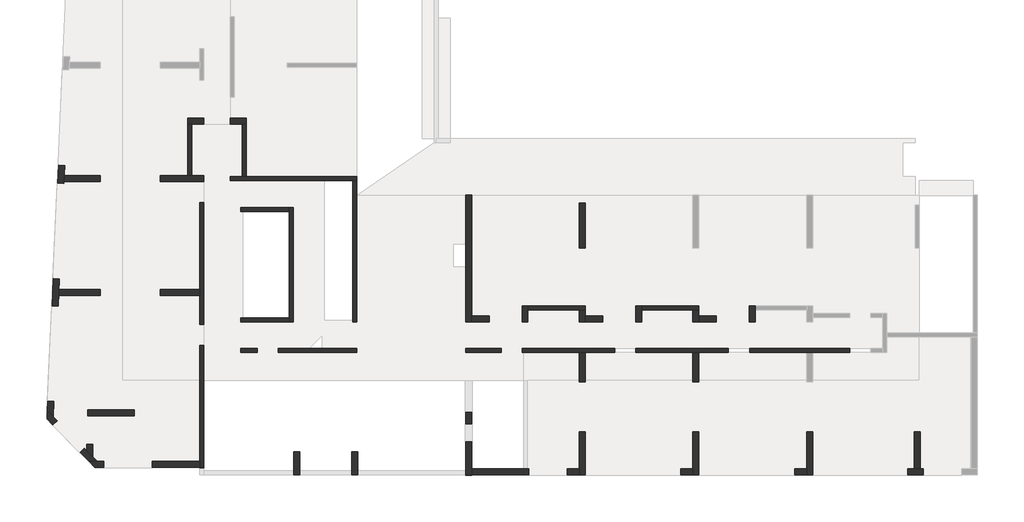
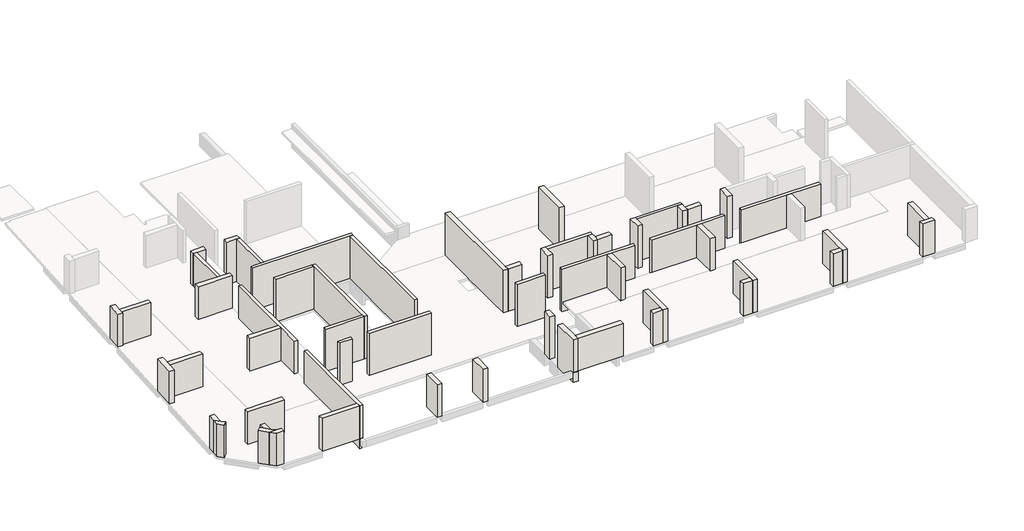
# One storey, part 1 of 4: 57 walls.
"""IFC4 building model written with IfcOpenShell, lengths in millimetres."""

from ifc_helpers import new_model, si_unit, frame, origin, place, context, project, spatial, polyline, outline, extrude, faceted_brep, element, save

model = new_model("IFC4")

# Units and contexts
model_context = context("Model", 3, world=origin())
ifc_project = project(units=[si_unit("LENGTHUNIT", "METRE", prefix="MILLI")], contexts=[model_context])

# Site, building, storey
site = spatial("IfcSite", under=ifc_project)
building = spatial("IfcBuilding", under=site)
storey = spatial("IfcBuildingStorey", under=building, Elevation=-20.0)

# Walls
placement = place(None, origin())
element("IfcWall", 1, ObjectType="MHA20", at=placement, inside=storey, context=model_context, shape_type="Brep", body=[
    faceted_brep([(-4395.6912908, -13079.0672499, -670.0), (-9410.6912908, -13079.0672499, -670.0), (-9410.6912908, -13079.0672499, 2170.0), (-4395.6912908, -13079.0672499, 2170.0), (-4395.6912908, -13279.0672499, -670.0), (-4395.6912908, -13279.0672499, 2170.0), (-6255.6912908, -13279.0672499, 2170.0), (-6555.6912908, -13279.0672499, 2170.0), (-9410.6912908, -13279.0672499, 2170.0), (-9410.6912908, -13279.0672499, -670.0)], [[[0, 1, 2, 3]], [[4, 5, 6, 7, 8, 9]], [[1, 0, 4, 9]], [[2, 1, 9, 8]], [[3, 2, 8, 7, 6, 5]], [[0, 3, 5, 4]]]),
])
element("IfcWall", 2, ObjectType="MHA20", at=placement, inside=storey, context=model_context, shape_type="Brep", body=[
    faceted_brep([(-36735.6912908, -19074.0672499, -670.0), (-36735.6912908, -18724.0672499, -670.0), (-36735.6912908, -12949.0672499, -670.0), (-36735.6912908, -12949.0672499, 2170.0), (-36735.6912908, -19049.0672499, 2170.0), (-36735.6912908, -19049.0672499, -20.0), (-36735.6912908, -19074.0672499, -20.0), (-36735.6912908, -19074.0672499, -420.0), (-36935.6912908, -19074.0672499, -670.0), (-36935.6912908, -19074.0672499, -420.0), (-36935.6912908, -19074.0672499, -20.0), (-36935.6912908, -19049.0672499, -20.0), (-36935.6912908, -19049.0672499, 2170.0), (-36935.6912908, -18749.0672499, 2170.0), (-36935.6912908, -12949.0672499, 2170.0), (-36935.6912908, -12949.0672499, -670.0), (-36935.6912908, -18724.0672499, -670.0)], [[[0, 1, 2, 3, 4, 5, 6, 7]], [[8, 9, 10, 11, 12, 13, 14, 15, 16]], [[2, 1, 0, 8, 16, 15]], [[3, 2, 15, 14]], [[4, 3, 14, 13, 12]], [[5, 11, 10, 6]], [[0, 7, 6, 10, 9, 8]], [[5, 4, 12, 11]]]),
])
element("IfcWall", 3, ObjectType="MHA20", at=placement, inside=storey, context=model_context, shape_type="Brep", body=[
    faceted_brep([(-10470.6912908, -13079.0672499, -670.0), (-15100.6912908, -13079.0672499, -670.0), (-15100.6912908, -13079.0672499, 2170.0), (-10470.6912908, -13079.0672499, 2170.0), (-10470.6912908, -13279.0672499, -670.0), (-10470.6912908, -13279.0672499, 2170.0), (-11945.6912908, -13279.0672499, 2170.0), (-12245.6912908, -13279.0672499, 2170.0), (-15100.6912908, -13279.0672499, 2170.0), (-15100.6912908, -13279.0672499, -670.0)], [[[0, 1, 2, 3]], [[4, 5, 6, 7, 8, 9]], [[1, 0, 4, 9]], [[2, 1, 9, 8]], [[3, 2, 8, 7, 6, 5]], [[0, 3, 5, 4]]]),
])
element("IfcWall", 4, ObjectType="MHA20", at=placement, inside=storey, context=model_context, shape_type="Brep", body=[
    faceted_brep([(-16160.6912908, -13079.0672499, -670.0), (-20790.6912908, -13079.0672499, -670.0), (-20790.6912908, -13079.0672499, 2170.0), (-16160.6912908, -13079.0672499, 2170.0), (-16160.6912908, -13279.0672499, -670.0), (-16160.6912908, -13279.0672499, 2170.0), (-17635.6912908, -13279.0672499, 2170.0), (-17935.6912908, -13279.0672499, 2170.0), (-20790.6912908, -13279.0672499, 2170.0), (-20790.6912908, -13279.0672499, -670.0)], [[[0, 1, 2, 3]], [[4, 5, 6, 7, 8, 9]], [[1, 0, 4, 9]], [[2, 1, 9, 8]], [[3, 2, 8, 7, 6, 5]], [[0, 3, 5, 4]]]),
])
element("IfcWall", 5, ObjectType="MHA20", at=placement, inside=storey, context=model_context, shape_type="SweptSolid", body=[
    extrude(outline(polyline([(-23625.6912908, -13079.0672499), (-21850.6912908, -13079.0672499), (-21850.6912908, -13279.0672499), (-23625.6912908, -13279.0672499), (-23625.6912908, -13079.0672499)])), frame((0.0, 0.0, -670.0), z_axis=(0.0, 0.0, 1.0), x_axis=(1.0, 0.0, 0.0)), (0.0, 0.0, 1.0), 2840.0),
])
element("IfcWall", 6, ObjectType="MHA20", at=placement, inside=storey, context=model_context, shape_type="SweptSolid", body=[
    extrude(outline(polyline([(-32995.6912908, -13079.0672499), (-29065.6912908, -13079.0672499), (-29065.6912908, -13279.0672499), (-32995.6912908, -13279.0672499), (-32995.6912908, -13079.0672499)])), frame((0.0, 0.0, -670.0), z_axis=(0.0, 0.0, 1.0), x_axis=(1.0, 0.0, 0.0)), (0.0, 0.0, 1.0), 2840.0),
])
element("IfcWall", 7, ObjectType="MHA20", at=placement, inside=storey, context=model_context, shape_type="SweptSolid", body=[
    extrude(outline(polyline([(-34055.6912908, -13279.0672499), (-34865.6912908, -13279.0672499), (-34865.6912908, -13079.0672499), (-34055.6912908, -13079.0672499), (-34055.6912908, -13279.0672499)])), frame((0.0, 0.0, -670.0), z_axis=(0.0, 0.0, 1.0), x_axis=(1.0, 0.0, 0.0)), (0.0, 0.0, 1.0), 2840.0),
])
element("IfcWall", 8, ObjectType="MHA20", at=placement, inside=storey, context=model_context, shape_type="Brep", body=[
    faceted_brep([(-14810.6912908, -11159.0672499, -670.0), (-12245.6912908, -11159.0672499, -670.0), (-11945.6912908, -11159.0672499, -670.0), (-11945.6912908, -11159.0672499, 2170.0), (-12245.6912908, -11159.0672499, 2170.0), (-14810.6912908, -11159.0672499, 2170.0), (-14810.6912908, -10959.0672499, -670.0), (-14810.6912908, -10959.0672499, 2170.0), (-11945.6912908, -10959.0672499, 2170.0), (-11945.6912908, -10959.0672499, -670.0)], [[[0, 1, 2, 3, 4, 5]], [[6, 7, 8, 9]], [[2, 1, 0, 6, 9]], [[5, 4, 3, 8, 7]], [[0, 5, 7, 6]], [[3, 2, 9, 8]]]),
])
element("IfcWall", 9, ObjectType="MHA20", at=placement, inside=storey, context=model_context, shape_type="Brep", body=[
    faceted_brep([(-20500.6912908, -11159.0672499, -670.0), (-17935.6912908, -11159.0672499, -670.0), (-17635.6912908, -11159.0672499, -670.0), (-17635.6912908, -11159.0672499, 2170.0), (-17935.6912908, -11159.0672499, 2170.0), (-20500.6912908, -11159.0672499, 2170.0), (-20500.6912908, -10959.0672499, -670.0), (-20500.6912908, -10959.0672499, 2170.0), (-17635.6912908, -10959.0672499, 2170.0), (-17635.6912908, -10959.0672499, -670.0)], [[[0, 1, 2, 3, 4, 5]], [[6, 7, 8, 9]], [[2, 1, 0, 6, 9]], [[5, 4, 3, 8, 7]], [[0, 5, 7, 6]], [[3, 2, 9, 8]]]),
])
element("IfcWall", 10, ObjectType="MHA20", at=placement, inside=storey, context=model_context, shape_type="Brep", body=[
    faceted_brep([(-29065.6912908, -11759.0672499, -670.0), (-29065.6912908, -5419.0672499, -670.0), (-29065.6912908, -4689.0672499, -670.0), (-29065.6912908, -4689.0672499, 2170.0), (-29065.6912908, -11759.0672499, 2170.0), (-29265.6912908, -11759.0672499, -670.0), (-29265.6912908, -11759.0672499, 2170.0), (-29265.6912908, -4689.0672499, 2170.0), (-29265.6912908, -4689.0672499, -670.0), (-29265.6912908, -5419.0672499, -670.0)], [[[0, 1, 2, 3, 4]], [[5, 6, 7, 8, 9]], [[2, 1, 0, 5, 9, 8]], [[4, 3, 7, 6]], [[0, 4, 6, 5]], [[3, 2, 8, 7]]]),
])
element("IfcWall", 11, ObjectType="MHA20", at=placement, inside=storey, context=model_context, shape_type="Brep", body=[
    faceted_brep([(-35405.6912908, -4689.0672499, -670.0), (-29265.6912908, -4689.0672499, -670.0), (-29065.6912908, -4689.0672499, -670.0), (-29065.6912908, -4689.0672499, 2170.0), (-29265.6912908, -4689.0672499, 2170.0), (-35405.6912908, -4689.0672499, 2170.0), (-35405.6912908, -4489.0672499, -670.0), (-35405.6912908, -4489.0672499, 2170.0), (-34805.6912908, -4489.0672499, 2170.0), (-34605.6912908, -4489.0672499, 2170.0), (-29065.6912908, -4489.0672499, 2170.0), (-29065.6912908, -4489.0672499, -670.0), (-34605.6912908, -4489.0672499, -670.0), (-34805.6912908, -4489.0672499, -670.0)], [[[0, 1, 2, 3, 4, 5]], [[6, 7, 8, 9, 10, 11, 12, 13]], [[3, 2, 11, 10]], [[2, 1, 0, 6, 13, 12, 11]], [[5, 4, 3, 10, 9, 8, 7]], [[0, 5, 7, 6]]]),
])
element("IfcWall", 12, ObjectType="MHA20", at=placement, inside=storey, context=model_context, shape_type="Brep", body=[
    faceted_brep([(-32245.6912908, -11759.0672499, -670.0), (-32245.6912908, -6044.0672499, -670.0), (-32245.6912908, -6044.0672499, 2170.0), (-32245.6912908, -11759.0672499, 2170.0), (-32445.6912908, -11759.0672499, -670.0), (-32445.6912908, -11759.0672499, 2170.0), (-32445.6912908, -11559.0672499, 2170.0), (-32445.6912908, -6244.0672499, 2170.0), (-32445.6912908, -6044.0672499, 2170.0), (-32445.6912908, -6044.0672499, -670.0), (-32445.6912908, -6244.0672499, -670.0), (-32445.6912908, -11559.0672499, -670.0)], [[[0, 1, 2, 3]], [[4, 5, 6, 7, 8, 9, 10, 11]], [[1, 0, 4, 11, 10, 9]], [[3, 2, 8, 7, 6, 5]], [[2, 1, 9, 8]], [[0, 3, 5, 4]]]),
])
element("IfcWall", 13, ObjectType="MHA20", at=placement, inside=storey, context=model_context, shape_type="SweptSolid", body=[
    extrude(outline(polyline([(-32445.6912908, -11759.0672499), (-34865.6912908, -11759.0672499), (-34865.6912908, -11559.0672499), (-32445.6912908, -11559.0672499), (-32445.6912908, -11759.0672499)])), frame((0.0, 0.0, -670.0), z_axis=(0.0, 0.0, 1.0), x_axis=(1.0, 0.0, 0.0)), (0.0, 0.0, 1.0), 2840.0),
])
element("IfcWall", 14, ObjectType="MHA20", at=placement, inside=storey, context=model_context, shape_type="SweptSolid", body=[
    extrude(outline(polyline([(-32445.6912908, -6244.0672499), (-34865.6912908, -6244.0672499), (-34865.6912908, -6044.0672499), (-32445.6912908, -6044.0672499), (-32445.6912908, -6244.0672499)])), frame((0.0, 0.0, -670.0), z_axis=(0.0, 0.0, 1.0), x_axis=(1.0, 0.0, 0.0)), (0.0, 0.0, 1.0), 2840.0),
])
element("IfcWall", 15, ObjectType="MHA20", at=placement, inside=storey, context=model_context, shape_type="Brep", body=[
    faceted_brep([(-36735.6912908, -11889.0672499, -670.0), (-36735.6912908, -5774.0672499, -670.0), (-36735.6912908, -5774.0672499, 2170.0), (-36735.6912908, -11889.0672499, 2170.0), (-36935.6912908, -11889.0672499, -670.0), (-36935.6912908, -11889.0672499, 2170.0), (-36935.6912908, -10429.0672499, 2170.0), (-36935.6912908, -10129.0672499, 2170.0), (-36935.6912908, -5774.0672499, 2170.0), (-36935.6912908, -5774.0672499, -670.0)], [[[0, 1, 2, 3]], [[4, 5, 6, 7, 8, 9]], [[1, 0, 4, 9]], [[2, 1, 9, 8]], [[3, 2, 8, 7, 6, 5]], [[0, 3, 5, 4]]]),
])
element("IfcWall", 16, ObjectType="MHA20", at=placement, inside=storey, context=model_context, shape_type="SweptSolid", body=[
    extrude(outline(polyline([(-34605.6912908, -1844.0672499), (-34605.6912908, -4489.0672499), (-34805.6912908, -4489.0672499), (-34805.6912908, -1844.0672499), (-34605.6912908, -1844.0672499)])), frame((0.0, 0.0, -670.0), z_axis=(0.0, 0.0, 1.0), x_axis=(1.0, 0.0, 0.0)), (0.0, 0.0, 1.0), 2840.0),
])
element("IfcWall", 17, ObjectType="MHA20", at=placement, inside=storey, context=model_context, shape_type="SweptSolid", body=[
    extrude(outline(polyline([(-37335.6912908, -1844.0672499), (-37335.6912908, -4439.0672499), (-37535.6912908, -4439.0672499), (-37535.6912908, -1844.0672499), (-37335.6912908, -1844.0672499)])), frame((0.0, 0.0, -20.0), z_axis=(0.0, 0.0, 1.0), x_axis=(1.0, 0.0, 0.0)), (0.0, 0.0, 1.0), 2190.0),
])
element("IfcWall", 18, ObjectType="MHA30", at=placement, inside=storey, context=model_context, shape_type="Brep", body=[
    faceted_brep([(-6255.6912908, -19419.0672499, -20.0), (-6255.6912908, -17269.0672499, -20.0), (-6255.6912908, -17269.0672499, 2170.0), (-6255.6912908, -19419.0672499, 2170.0), (-6555.6912908, -19419.0672499, -20.0), (-6555.6912908, -19419.0672499, 2170.0), (-6555.6912908, -19119.0672499, 2170.0), (-6555.6912908, -17269.0672499, 2170.0), (-6555.6912908, -17269.0672499, -20.0), (-6555.6912908, -19119.0672499, -20.0)], [[[0, 1, 2, 3]], [[4, 5, 6, 7, 8, 9]], [[1, 0, 4, 9, 8]], [[2, 1, 8, 7]], [[3, 2, 7, 6, 5]], [[0, 3, 5, 4]]]),
])
element("IfcWall", 19, ObjectType="MHA30", at=placement, inside=storey, context=model_context, shape_type="SweptSolid", body=[
    extrude(outline(polyline([(-875.6912908, -17269.0672499), (-875.6912908, -19119.0672499), (-1175.6912908, -19119.0672499), (-1175.6912908, -17269.0672499), (-875.6912908, -17269.0672499)])), frame((0.0, 0.0, -20.0), z_axis=(0.0, 0.0, 1.0), x_axis=(1.0, 0.0, 0.0)), (0.0, 0.0, 1.0), 2190.0),
])
element("IfcWall", 20, ObjectType="MHA30", at=placement, inside=storey, context=model_context, shape_type="Brep", body=[
    faceted_brep([(-11945.6912908, -19419.0672499, -20.0), (-11945.6912908, -17269.0672499, -20.0), (-11945.6912908, -17269.0672499, 2170.0), (-11945.6912908, -19419.0672499, 2170.0), (-12245.6912908, -19419.0672499, -20.0), (-12245.6912908, -19419.0672499, 2170.0), (-12245.6912908, -19119.0672499, 2170.0), (-12245.6912908, -17269.0672499, 2170.0), (-12245.6912908, -17269.0672499, -20.0), (-12245.6912908, -19119.0672499, -20.0)], [[[0, 1, 2, 3]], [[4, 5, 6, 7, 8, 9]], [[1, 0, 4, 9, 8]], [[2, 1, 8, 7]], [[3, 2, 7, 6, 5]], [[0, 3, 5, 4]]]),
])
element("IfcWall", 21, ObjectType="MHA30", at=placement, inside=storey, context=model_context, shape_type="Brep", body=[
    faceted_brep([(-11945.6912908, -11759.0672499, -670.0), (-11945.6912908, -11459.0672499, -670.0), (-11945.6912908, -11159.0672499, -670.0), (-11945.6912908, -11159.0672499, 2170.0), (-11945.6912908, -11459.0672499, 2170.0), (-11945.6912908, -11759.0672499, 2170.0), (-12245.6912908, -11759.0672499, -670.0), (-12245.6912908, -11759.0672499, 2170.0), (-12245.6912908, -11159.0672499, 2170.0), (-12245.6912908, -11159.0672499, -670.0)], [[[0, 1, 2, 3, 4, 5]], [[6, 7, 8, 9]], [[2, 1, 0, 6, 9]], [[5, 4, 3, 8, 7]], [[0, 5, 7, 6]], [[3, 2, 9, 8]]]),
])
element("IfcWall", 22, ObjectType="MHA30", at=placement, inside=storey, context=model_context, shape_type="SweptSolid", body=[
    extrude(outline(polyline([(-6555.6912908, -19419.0672499), (-7155.6912908, -19419.0672499), (-7155.6912908, -19119.0672499), (-6555.6912908, -19119.0672499), (-6555.6912908, -19419.0672499)])), frame((0.0, 0.0, -20.0), z_axis=(0.0, 0.0, 1.0), x_axis=(1.0, 0.0, 0.0)), (0.0, 0.0, 1.0), 2190.0),
])
element("IfcWall", 23, ObjectType="MHA30", at=placement, inside=storey, context=model_context, shape_type="Brep", body=[
    faceted_brep([(-17635.6912908, -19419.0672499, -20.0), (-17635.6912908, -17269.0672499, -20.0), (-17635.6912908, -17269.0672499, 2170.0), (-17635.6912908, -19419.0672499, 2170.0), (-17935.6912908, -19419.0672499, -20.0), (-17935.6912908, -19419.0672499, 2170.0), (-17935.6912908, -19119.0672499, 2170.0), (-17935.6912908, -17269.0672499, 2170.0), (-17935.6912908, -17269.0672499, -20.0), (-17935.6912908, -19119.0672499, -20.0)], [[[0, 1, 2, 3]], [[4, 5, 6, 7, 8, 9]], [[1, 0, 4, 9, 8]], [[2, 1, 8, 7]], [[3, 2, 7, 6, 5]], [[0, 3, 5, 4]]]),
])
element("IfcWall", 24, ObjectType="MHA30", at=placement, inside=storey, context=model_context, shape_type="SweptSolid", body=[
    extrude(outline(polyline([(-12245.6912908, -19419.0672499), (-12845.6912908, -19419.0672499), (-12845.6912908, -19119.0672499), (-12245.6912908, -19119.0672499), (-12245.6912908, -19419.0672499)])), frame((0.0, 0.0, -20.0), z_axis=(0.0, 0.0, 1.0), x_axis=(1.0, 0.0, 0.0)), (0.0, 0.0, 1.0), 2190.0),
])
element("IfcWall", 25, ObjectType="MHA30", at=placement, inside=storey, context=model_context, shape_type="Brep", body=[
    faceted_brep([(-23325.6912908, -19444.0672499, -670.0), (-23325.6912908, -19094.0672499, -670.0), (-23325.6912908, -17759.0672499, -670.0), (-23325.6912908, -17759.0672499, 2170.0), (-23325.6912908, -19119.0672499, 2170.0), (-23325.6912908, -19419.0672499, 2170.0), (-23325.6912908, -19419.0672499, -20.0), (-23325.6912908, -19444.0672499, -20.0), (-23625.6912908, -19444.0672499, -670.0), (-23625.6912908, -19444.0672499, -20.0), (-23625.6912908, -19419.0672499, -20.0), (-23625.6912908, -19419.0672499, 2170.0), (-23625.6912908, -17759.0672499, 2170.0), (-23625.6912908, -17759.0672499, -670.0)], [[[0, 1, 2, 3, 4, 5, 6, 7]], [[8, 9, 10, 11, 12, 13]], [[2, 1, 0, 8, 13]], [[3, 2, 13, 12]], [[5, 4, 3, 12, 11]], [[6, 10, 9, 7]], [[0, 7, 9, 8]], [[6, 5, 11, 10]]]),
])
element("IfcWall", 26, ObjectType="MHA30", at=placement, inside=storey, context=model_context, shape_type="SweptSolid", body=[
    extrude(outline(polyline([(-17935.6912908, -19419.0672499), (-18535.6912908, -19419.0672499), (-18535.6912908, -19119.0672499), (-17935.6912908, -19119.0672499), (-17935.6912908, -19419.0672499)])), frame((0.0, 0.0, -20.0), z_axis=(0.0, 0.0, 1.0), x_axis=(1.0, 0.0, 0.0)), (0.0, 0.0, 1.0), 2190.0),
])
element("IfcWall", 27, ObjectType="MHA30", at=placement, inside=storey, context=model_context, shape_type="SweptSolid", body=[
    extrude(outline(polyline([(-29015.6912908, -18269.0672499), (-29015.6912908, -19419.0672499), (-29315.6912908, -19419.0672499), (-29315.6912908, -18269.0672499), (-29015.6912908, -18269.0672499)])), frame((0.0, 0.0, -20.0), z_axis=(0.0, 0.0, 1.0), x_axis=(1.0, 0.0, 0.0)), (0.0, 0.0, 1.0), 2190.0),
])
element("IfcWall", 28, ObjectType="MHA30", at=placement, inside=storey, context=model_context, shape_type="Brep", body=[
    faceted_brep([(-23625.6912908, -5419.0672499, -670.0), (-23625.6912908, -11759.0672499, -670.0), (-23625.6912908, -11759.0672499, 2170.0), (-23625.6912908, -5419.0672499, 2170.0), (-23325.6912908, -5419.0672499, -670.0), (-23325.6912908, -5419.0672499, 2170.0), (-23325.6912908, -11459.0672499, 2170.0), (-23325.6912908, -11759.0672499, 2170.0), (-23325.6912908, -11759.0672499, -670.0), (-23325.6912908, -11459.0672499, -670.0)], [[[0, 1, 2, 3]], [[4, 5, 6, 7, 8, 9]], [[1, 0, 4, 9, 8]], [[3, 2, 7, 6, 5]], [[0, 3, 5, 4]], [[2, 1, 8, 7]]]),
])
element("IfcWall", 29, ObjectType="MHA30", at=placement, inside=storey, context=model_context, shape_type="SweptSolid", body=[
    extrude(outline(polyline([(-31935.6912908, -18269.0672499), (-31935.6912908, -19419.0672499), (-32235.6912908, -19419.0672499), (-32235.6912908, -18269.0672499), (-31935.6912908, -18269.0672499)])), frame((0.0, 0.0, -20.0), z_axis=(0.0, 0.0, 1.0), x_axis=(1.0, 0.0, 0.0)), (0.0, 0.0, 1.0), 2190.0),
])
element("IfcWall", 30, ObjectType="MHA30", at=placement, inside=storey, context=model_context, shape_type="SweptSolid", body=[
    extrude(outline(polyline([(-36935.6912908, -19049.0672499), (-39315.6912908, -19049.0672499), (-39315.6912908, -18749.0672499), (-36935.6912908, -18749.0672499), (-36935.6912908, -19049.0672499)])), frame((0.0, 0.0, -20.0), z_axis=(0.0, 0.0, 1.0), x_axis=(1.0, 0.0, 0.0)), (0.0, 0.0, 1.0), 2190.0),
])
element("IfcWall", 31, ObjectType="MHA30", at=placement, inside=storey, context=model_context, shape_type="SweptSolid", body=[
    extrude(outline(polyline([(-11945.6912908, -11459.0672499), (-11070.6912908, -11459.0672499), (-11070.6912908, -11759.0672499), (-11945.6912908, -11759.0672499), (-11945.6912908, -11459.0672499)])), frame((0.0, 0.0, -670.0), z_axis=(0.0, 0.0, 1.0), x_axis=(1.0, 0.0, 0.0)), (0.0, 0.0, 1.0), 2840.0),
])
element("IfcWall", 32, ObjectType="MHA30", at=placement, inside=storey, context=model_context, shape_type="Brep", body=[
    faceted_brep([(-9120.6912908, -11759.0672499, -670.0), (-9120.6912908, -11159.0672499, -670.0), (-9120.6912908, -10959.0672499, -670.0), (-9120.6912908, -10959.0672499, 2170.0), (-9120.6912908, -11159.0672499, 2170.0), (-9120.6912908, -11759.0672499, 2170.0), (-9420.6912908, -11759.0672499, -670.0), (-9420.6912908, -11759.0672499, 2170.0), (-9420.6912908, -10959.0672499, 2170.0), (-9420.6912908, -10959.0672499, -670.0)], [[[0, 1, 2, 3, 4, 5]], [[6, 7, 8, 9]], [[2, 1, 0, 6, 9]], [[5, 4, 3, 8, 7]], [[0, 5, 7, 6]], [[3, 2, 9, 8]]]),
])
element("IfcWall", 33, ObjectType="MHA30", at=placement, inside=storey, context=model_context, shape_type="Brep", body=[
    faceted_brep([(-14810.6912908, -11759.0672499, -670.0), (-14810.6912908, -11159.0672499, -670.0), (-14810.6912908, -10959.0672499, -670.0), (-14810.6912908, -10959.0672499, 2170.0), (-14810.6912908, -11159.0672499, 2170.0), (-14810.6912908, -11759.0672499, 2170.0), (-15110.6912908, -11759.0672499, -670.0), (-15110.6912908, -11759.0672499, 2170.0), (-15110.6912908, -10959.0672499, 2170.0), (-15110.6912908, -10959.0672499, -670.0)], [[[0, 1, 2, 3, 4, 5]], [[6, 7, 8, 9]], [[2, 1, 0, 6, 9]], [[5, 4, 3, 8, 7]], [[0, 5, 7, 6]], [[3, 2, 9, 8]]]),
])
element("IfcWall", 34, ObjectType="MHA30", at=placement, inside=storey, context=model_context, shape_type="Brep", body=[
    faceted_brep([(-20500.6912908, -11759.0672499, -670.0), (-20500.6912908, -11159.0672499, -670.0), (-20500.6912908, -10959.0672499, -670.0), (-20500.6912908, -10959.0672499, 2170.0), (-20500.6912908, -11159.0672499, 2170.0), (-20500.6912908, -11759.0672499, 2170.0), (-20800.6912908, -11759.0672499, -670.0), (-20800.6912908, -11759.0672499, 2170.0), (-20800.6912908, -10959.0672499, 2170.0), (-20800.6912908, -10959.0672499, -670.0)], [[[0, 1, 2, 3, 4, 5]], [[6, 7, 8, 9]], [[2, 1, 0, 6, 9]], [[5, 4, 3, 8, 7]], [[0, 5, 7, 6]], [[3, 2, 9, 8]]]),
])
element("IfcWall", 35, ObjectType="MHA30", at=placement, inside=storey, context=model_context, shape_type="SweptSolid", body=[
    extrude(outline(polyline([(-17635.6912908, -11459.0672499), (-16760.6912908, -11459.0672499), (-16760.6912908, -11759.0672499), (-17635.6912908, -11759.0672499), (-17635.6912908, -11459.0672499)])), frame((0.0, 0.0, -670.0), z_axis=(0.0, 0.0, 1.0), x_axis=(1.0, 0.0, 0.0)), (0.0, 0.0, 1.0), 2840.0),
])
element("IfcWall", 36, ObjectType="MHA30", at=placement, inside=storey, context=model_context, shape_type="SweptSolid", body=[
    extrude(outline(polyline([(-23325.6912908, -11459.0672499), (-22450.6912908, -11459.0672499), (-22450.6912908, -11759.0672499), (-23325.6912908, -11759.0672499), (-23325.6912908, -11459.0672499)])), frame((0.0, 0.0, -670.0), z_axis=(0.0, 0.0, 1.0), x_axis=(1.0, 0.0, 0.0)), (0.0, 0.0, 1.0), 2840.0),
])
element("IfcWall", 37, ObjectType="MHA30", at=placement, inside=storey, context=model_context, shape_type="Brep", body=[
    faceted_brep([(-43965.0120039, -10429.0672499, -360.0), (-41905.6912908, -10429.0672499, -360.0), (-41905.6912908, -10429.0672499, 2170.0), (-43990.0377154, -10429.0672499, 2170.0), (-43990.0377154, -10429.0672499, -20.0), (-43965.0120039, -10429.0672499, -20.0), (-43951.4025302, -10129.0672499, -360.0), (-43951.4025302, -10129.0672499, -20.0), (-43976.4282417, -10129.0672499, -20.0), (-43976.4282417, -10129.0672499, 2170.0), (-41905.6912908, -10129.0672499, 2170.0), (-41905.6912908, -10129.0672499, -360.0)], [[[0, 1, 2, 3, 4, 5]], [[6, 7, 8, 9, 10, 11]], [[1, 0, 6, 11]], [[2, 1, 11, 10]], [[3, 2, 10, 9]], [[4, 8, 7, 5]], [[0, 5, 7, 6]], [[4, 3, 9, 8]]]),
])
element("IfcWall", 38, ObjectType="MHA30", at=placement, inside=storey, context=model_context, shape_type="SweptSolid", body=[
    extrude(outline(polyline([(-41905.6912908, -4739.0672499), (-43731.9113644, -4739.0672499), (-43718.3018907, -4439.0672499), (-41905.6912908, -4439.0672499), (-41905.6912908, -4739.0672499)])), frame((0.0, 0.0, -20.0), z_axis=(0.0, 0.0, 1.0), x_axis=(1.0, 0.0, 0.0)), (0.0, 0.0, 1.0), 2190.0),
])
element("IfcWall", 39, ObjectType="MHA30", at=placement, inside=storey, context=model_context, shape_type="Brep", body=[
    faceted_brep([(-35405.6912908, -1844.0672499, -670.0), (-34805.6912908, -1844.0672499, -670.0), (-34605.6912908, -1844.0672499, -670.0), (-34605.6912908, -1844.0672499, 2170.0), (-34805.6912908, -1844.0672499, 2170.0), (-35405.6912908, -1844.0672499, 2170.0), (-35405.6912908, -1544.0672499, -670.0), (-35405.6912908, -1544.0672499, 2170.0), (-34605.6912908, -1544.0672499, 2170.0), (-34605.6912908, -1544.0672499, -670.0)], [[[0, 1, 2, 3, 4, 5]], [[6, 7, 8, 9]], [[2, 1, 0, 6, 9]], [[5, 4, 3, 8, 7]], [[0, 5, 7, 6]], [[3, 2, 9, 8]]]),
])
element("IfcWall", 40, ObjectType="MHA30", at=placement, inside=storey, context=model_context, shape_type="Brep", body=[
    faceted_brep([(-36735.6912908, -1544.0672499, -670.0), (-37535.6912908, -1544.0672499, -670.0), (-37535.6912908, -1544.0672499, 2170.0), (-36735.6912908, -1544.0672499, 2170.0), (-36735.6912908, -1544.0672499, -180.0), (-36735.6912908, -1844.0672499, -670.0), (-36735.6912908, -1844.0672499, 2170.0), (-37335.6912908, -1844.0672499, 2170.0), (-37535.6912908, -1844.0672499, 2170.0), (-37535.6912908, -1844.0672499, -20.0), (-37535.6912908, -1844.0672499, -670.0)], [[[0, 1, 2, 3, 4]], [[5, 6, 7, 8, 9, 10]], [[1, 0, 5, 10]], [[2, 1, 10, 9, 8]], [[3, 2, 8, 7, 6]], [[0, 4, 3, 6, 5]]]),
])
element("IfcWall", 41, ObjectType="MHA30", at=placement, inside=storey, context=model_context, shape_type="Brep", body=[
    faceted_brep([(-42275.6912908, -18485.3498814, -360.0), (-42275.6912908, -17889.0672499, -360.0), (-42275.6912908, -17889.0672499, 2170.0), (-42275.6912908, -18520.9234463, 2170.0), (-42275.6912908, -18520.9234463, -20.0), (-42275.6912908, -18485.3498814, -20.0), (-42575.6912908, -18181.6689104, -360.0), (-42575.6912908, -18181.6689104, -20.0), (-42575.6912908, -18217.2424753, -20.0), (-42575.6912908, -18217.2424753, 2170.0), (-42575.6912908, -17889.0672499, 2170.0), (-42575.6912908, -17889.0672499, -360.0)], [[[0, 1, 2, 3, 4, 5]], [[6, 7, 8, 9, 10, 11]], [[1, 0, 6, 11]], [[2, 1, 11, 10]], [[3, 2, 10, 9]], [[4, 8, 7, 5]], [[0, 5, 7, 6]], [[4, 3, 9, 8]]]),
])
element("IfcWall", 42, ObjectType="MHA30", at=placement, inside=storey, context=model_context, shape_type="SweptSolid", body=[
    extrude(outline(polyline([(-17635.6912908, -13279.0672499), (-17635.6912908, -14769.0672499), (-17935.6912908, -14769.0672499), (-17935.6912908, -13279.0672499), (-17635.6912908, -13279.0672499)])), frame((0.0, 0.0, -20.0), z_axis=(0.0, 0.0, 1.0), x_axis=(1.0, 0.0, 0.0)), (0.0, 0.0, 1.0), 2190.0),
])
element("IfcWall", 43, ObjectType="MHA30", at=placement, inside=storey, context=model_context, shape_type="SweptSolid", body=[
    extrude(outline(polyline([(-11945.6912908, -13279.0672499), (-11945.6912908, -14769.0672499), (-12245.6912908, -14769.0672499), (-12245.6912908, -13279.0672499), (-11945.6912908, -13279.0672499)])), frame((0.0, 0.0, -20.0), z_axis=(0.0, 0.0, 1.0), x_axis=(1.0, 0.0, 0.0)), (0.0, 0.0, 1.0), 2190.0),
])
element("IfcWall", 44, ObjectType="MHA30", at=placement, inside=storey, context=model_context, shape_type="Brep", body=[
    faceted_brep([(-1485.6912908, -19419.0672499, -20.0), (-725.6912908, -19419.0672499, -20.0), (-725.6912908, -19419.0672499, 2170.0), (-1485.6912908, -19419.0672499, 2170.0), (-1485.6912908, -19119.0672499, -20.0), (-1485.6912908, -19119.0672499, 2170.0), (-1175.6912908, -19119.0672499, 2170.0), (-875.6912908, -19119.0672499, 2170.0), (-725.6912908, -19119.0672499, 2170.0), (-725.6912908, -19119.0672499, -20.0), (-875.6912908, -19119.0672499, -20.0), (-1175.6912908, -19119.0672499, -20.0)], [[[0, 1, 2, 3]], [[4, 5, 6, 7, 8, 9, 10, 11]], [[1, 0, 4, 11, 10, 9]], [[2, 1, 9, 8]], [[3, 2, 8, 7, 6, 5]], [[0, 3, 5, 4]]]),
])
element("IfcWall", 45, ObjectType="MHA30", at=placement, inside=storey, context=model_context, shape_type="Brep", body=[
    faceted_brep([(-38905.6912908, -10429.0672499, -360.0), (-36935.6912908, -10429.0672499, -360.0), (-36935.6912908, -10429.0672499, -180.0), (-36935.6912908, -10429.0672499, 2170.0), (-38905.6912908, -10429.0672499, 2170.0), (-38905.6912908, -10429.0672499, -180.0), (-38905.6912908, -10129.0672499, -360.0), (-38905.6912908, -10129.0672499, -180.0), (-38905.6912908, -10129.0672499, 2170.0), (-36935.6912908, -10129.0672499, 2170.0), (-36935.6912908, -10129.0672499, -180.0), (-36935.6912908, -10129.0672499, -360.0)], [[[0, 1, 2, 3, 4, 5]], [[6, 7, 8, 9, 10, 11]], [[1, 0, 6, 11]], [[4, 3, 9, 8]], [[0, 5, 4, 8, 7, 6]], [[3, 2, 1, 11, 10, 9]]]),
])
element("IfcWall", 46, ObjectType="MHA30", at=placement, inside=storey, context=model_context, shape_type="Brep", body=[
    faceted_brep([(-36735.6912908, -4439.0672499, -20.0), (-37335.6912908, -4439.0672499, -20.0), (-37535.6912908, -4439.0672499, -20.0), (-38905.6912908, -4439.0672499, -20.0), (-38905.6912908, -4439.0672499, 2170.0), (-37535.6912908, -4439.0672499, 2170.0), (-37335.6912908, -4439.0672499, 2170.0), (-36735.6912908, -4439.0672499, 2170.0), (-36735.6912908, -4739.0672499, -20.0), (-36735.6912908, -4739.0672499, 2170.0), (-38905.6912908, -4739.0672499, 2170.0), (-38905.6912908, -4739.0672499, -20.0)], [[[0, 1, 2, 3, 4, 5, 6, 7]], [[8, 9, 10, 11]], [[3, 2, 1, 0, 8, 11]], [[4, 3, 11, 10]], [[7, 6, 5, 4, 10, 9]], [[0, 7, 9, 8]]]),
])
element("IfcWall", 47, ObjectType="MHA30", at=placement, inside=storey, context=model_context, shape_type="Brep", body=[
    faceted_brep([(-42175.6498299, -19049.0672499, -20.0), (-41735.6912908, -19049.0672499, -20.0), (-41735.6912908, -19049.0672499, 2170.0), (-42175.6498299, -19049.0672499, 2170.0), (-42472.0134766, -18749.0672499, -20.0), (-42472.0134766, -18749.0672499, 2170.0), (-42050.3128588, -18749.0672499, 2170.0), (-41735.6912908, -18749.0672499, 2170.0), (-41735.6912908, -18749.0672499, -20.0), (-42050.3128588, -18749.0672499, -20.0)], [[[0, 1, 2, 3]], [[4, 5, 6, 7, 8, 9]], [[1, 0, 4, 9, 8]], [[2, 1, 8, 7]], [[3, 2, 7, 6, 5]], [[0, 3, 5, 4]]]),
])
element("IfcWall", 48, ObjectType="MHA30", at=placement, inside=storey, context=model_context, shape_type="Brep", body=[
    faceted_brep([(-42915.2472072, -18300.3950843, -20.0), (-42472.0134766, -18749.0672499, -20.0), (-42472.0134766, -18749.0672499, 2170.0), (-42915.2472072, -18300.3950843, 2170.0), (-42701.825656, -18089.5604537, -20.0), (-42701.825656, -18089.5604537, 2170.0), (-42575.6912908, -18217.2424753, 2170.0), (-42275.6912908, -18520.9234463, 2170.0), (-42050.3128588, -18749.0672499, 2170.0), (-42050.3128588, -18749.0672499, -20.0), (-42275.6912908, -18520.9234463, -20.0), (-42575.6912908, -18217.2424753, -20.0)], [[[0, 1, 2, 3]], [[4, 5, 6, 7, 8, 9, 10, 11]], [[1, 0, 4, 11, 10, 9]], [[3, 2, 8, 7, 6, 5]], [[0, 3, 5, 4]], [[2, 1, 9, 8]]]),
])
element("IfcWall", 49, ObjectType="MHA30", at=placement, inside=storey, context=model_context, shape_type="Brep", body=[
    faceted_brep([(-44065.189423, -16709.468345, -20.0), (-44265.738059, -16506.4589967, -20.0), (-44552.8614497, -16215.8126297, -20.0), (-44552.8614497, -16215.8126297, 2170.0), (-44265.738059, -16506.4589967, 2170.0), (-44065.189423, -16709.468345, 2170.0), (-44278.6109742, -16920.3029757, -20.0), (-44278.6109742, -16920.3029757, 2170.0), (-44571.3763566, -16623.9453904, 2170.0), (-44571.3763566, -16623.9453904, -20.0)], [[[0, 1, 2, 3, 4, 5]], [[6, 7, 8, 9]], [[2, 1, 0, 6, 9]], [[5, 4, 3, 8, 7]], [[0, 5, 7, 6]], [[3, 2, 9, 8]]]),
])
element("IfcWall", 50, ObjectType="MHA30", at=placement, inside=storey, context=model_context, shape_type="SweptSolid", body=[
    extrude(outline(polyline([(-44231.4949008, -15751.6210299), (-44265.738059, -16506.4589967), (-44552.8614497, -16215.8126297), (-44531.1866802, -15738.0255386), (-44231.4949008, -15751.6210299)])), frame((0.0, 0.0, -20.0), z_axis=(0.0, 0.0, 1.0), x_axis=(1.0, 0.0, 0.0)), (0.0, 0.0, 1.0), 2190.0),
])
element("IfcWall", 51, ObjectType="MHA30", at=placement, inside=storey, context=model_context, shape_type="Brep", body=[
    faceted_brep([(-44014.4202233, -10966.5422861, -20.0), (-43990.0377154, -10429.0672499, -20.0), (-43976.4282417, -10129.0672499, -20.0), (-43952.7873294, -9607.939553, -20.0), (-43952.7873294, -9607.939553, 2170.0), (-43976.4282417, -10129.0672499, 2170.0), (-43990.0377154, -10429.0672499, 2170.0), (-44014.4202233, -10966.5422861, 2170.0), (-44314.1120026, -10952.9467948, -20.0), (-44314.1120026, -10952.9467948, 2170.0), (-44252.4791088, -9594.3440617, 2170.0), (-44252.4791088, -9594.3440617, -20.0)], [[[0, 1, 2, 3, 4, 5, 6, 7]], [[8, 9, 10, 11]], [[3, 2, 1, 0, 8, 11]], [[4, 3, 11, 10]], [[7, 6, 5, 4, 10, 9]], [[0, 7, 9, 8]]]),
])
element("IfcWall", 52, ObjectType="MHA30", at=placement, inside=storey, context=model_context, shape_type="Brep", body=[
    faceted_brep([(-43735.7126519, -4822.8608092, -20.0), (-43731.9113644, -4739.0672499, -20.0), (-43718.3018907, -4439.0672499, -20.0), (-43694.6995865, -3918.7906081, -20.0), (-43694.6995865, -3918.7906081, 2170.0), (-43718.3018907, -4439.0672499, 2170.0), (-43731.9113644, -4739.0672499, 2170.0), (-43735.7126519, -4822.8608092, 2170.0), (-44035.4044313, -4809.2653179, -20.0), (-44035.4044313, -4809.2653179, 2170.0), (-43994.3913659, -3905.1951168, 2170.0), (-43994.3913659, -3905.1951168, -20.0)], [[[0, 1, 2, 3, 4, 5, 6, 7]], [[8, 9, 10, 11]], [[3, 2, 1, 0, 8, 11]], [[4, 3, 11, 10]], [[7, 6, 5, 4, 10, 9]], [[0, 7, 9, 8]]]),
])
element("IfcWall", 53, ObjectType="MHA30", at=placement, inside=storey, context=model_context, shape_type="SweptSolid", body=[
    extrude(outline(polyline([(-23325.6912908, -16289.0672499), (-23325.6912908, -16879.0672499), (-23625.6912908, -16879.0672499), (-23625.6912908, -16289.0672499), (-23325.6912908, -16289.0672499)])), frame((0.0, 0.0, -670.0), z_axis=(0.0, 0.0, 1.0), x_axis=(1.0, 0.0, 0.0)), (0.0, 0.0, 1.0), 2840.0),
])
element("IfcWall", 54, ObjectType="MHA30", at=placement, inside=storey, context=model_context, shape_type="SweptSolid", body=[
    extrude(outline(polyline([(-17935.6912908, -8059.0672499), (-17935.6912908, -5819.0672499), (-17635.6912908, -5819.0672499), (-17635.6912908, -8059.0672499), (-17935.6912908, -8059.0672499)])), frame((0.0, 0.0, -670.0), z_axis=(0.0, 0.0, 1.0), x_axis=(1.0, 0.0, 0.0)), (0.0, 0.0, 1.0), 2840.0),
])
element("IfcWall", 55, ObjectType="MHA30", at=placement, inside=storey, context=model_context, shape_type="Brep", body=[
    faceted_brep([(-17935.6912908, -11159.0672499, -670.0), (-17935.6912908, -11759.0672499, -670.0), (-17935.6912908, -11759.0672499, 2170.0), (-17935.6912908, -11159.0672499, 2170.0), (-17635.6912908, -11159.0672499, -670.0), (-17635.6912908, -11159.0672499, 2170.0), (-17635.6912908, -11459.0672499, 2170.0), (-17635.6912908, -11759.0672499, 2170.0), (-17635.6912908, -11759.0672499, -670.0), (-17635.6912908, -11459.0672499, -670.0)], [[[0, 1, 2, 3]], [[4, 5, 6, 7, 8, 9]], [[1, 0, 4, 9, 8]], [[3, 2, 7, 6, 5]], [[0, 3, 5, 4]], [[2, 1, 8, 7]]]),
])
element("IfcWall", 56, ObjectType="MHA30", at=placement, inside=storey, context=model_context, shape_type="SweptSolid", body=[
    extrude(outline(polyline([(-40205.6912908, -16469.0672499), (-42525.6912908, -16469.0672499), (-42525.6912908, -16169.0672499), (-40205.6912908, -16169.0672499), (-40205.6912908, -16469.0672499)])), frame((0.0, 0.0, -20.0), z_axis=(0.0, 0.0, 1.0), x_axis=(1.0, 0.0, 0.0)), (0.0, 0.0, 1.0), 2190.0),
])
element("IfcWall", 57, ObjectType="MHA30", at=placement, inside=storey, context=model_context, shape_type="SweptSolid", body=[
    extrude(outline(polyline([(-20455.6912908, -19419.0672499), (-23325.6912908, -19419.0672499), (-23325.6912908, -19119.0672499), (-20455.6912908, -19119.0672499), (-20455.6912908, -19419.0672499)])), frame((0.0, 0.0, -20.0), z_axis=(0.0, 0.0, 1.0), x_axis=(1.0, 0.0, 0.0)), (0.0, 0.0, 1.0), 2190.0),
])

save(model, "model.ifc")
